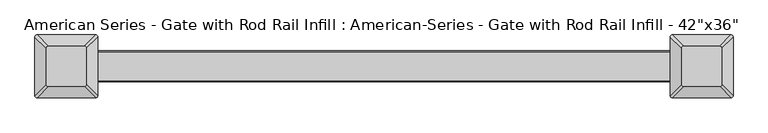
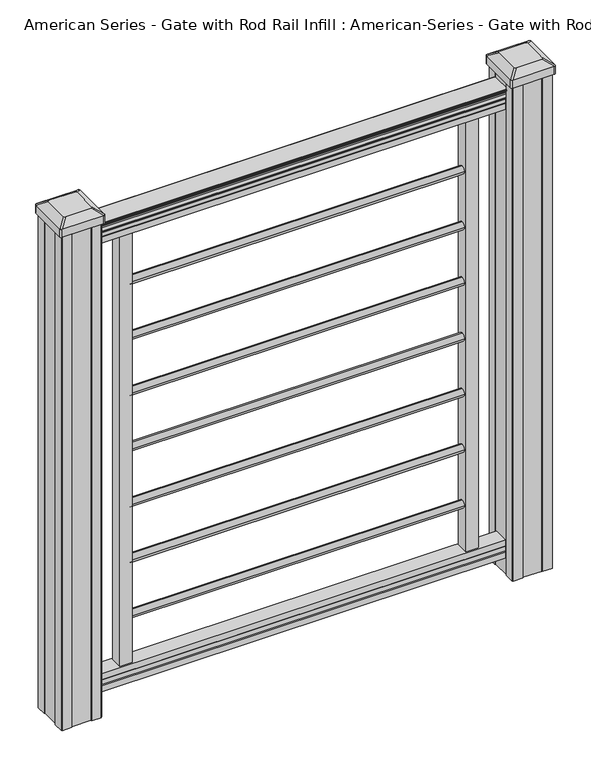
"""IFC4 building model written with IfcOpenShell, lengths in millimetres: proxy geometry."""

from ifc_helpers import new_model, si_unit, point, frame, frame_2d, origin, place, context, project, spatial, polyline, circle_curve, trimmed, segment, composite_curve, outline, extrude, source, transform, mapped, element, save
from ifc_brep_helpers import plane_surface, extruded_surface, advanced_brep


def proxy_1975aff6(model_context):
    return source(origin(), model_context, "Body", "SolidModel", [
        extrude(outline(composite_curve([segment(trimmed(circle_curve(frame_2d((0.0, 914.2688781)), 8.001), [point((8.001, 914.2688781))], [point((0.0, 906.2678781))], False, "CARTESIAN"), True, "CONTINUOUS"), segment(trimmed(circle_curve(frame_2d((0.0, 914.2688781)), 8.001), [point((0.0, 906.2678781))], [point((-8.001, 914.2688781))], False, "CARTESIAN"), True, "CONTINUOUS"), segment(trimmed(circle_curve(frame_2d((0.0, 914.2688781)), 8.001), [point((-8.001, 914.2688781))], [point((0.0, 922.2698781))], False, "CARTESIAN"), True, "CONTINUOUS"), segment(trimmed(circle_curve(frame_2d((0.0, 914.2688781)), 8.001), [point((0.0, 922.2698781))], [point((8.001, 914.2688781))], False, "CARTESIAN"), True, "CONTINUOUS")], self_intersect=False)), frame((-338.328, 0.0, 0.0), z_axis=(1.0, 0.0, 0.0), x_axis=(0.0, 1.0, 0.0)), (0.0, 0.0, 1.0), 676.656),
        extrude(outline(composite_curve([segment(trimmed(circle_curve(frame_2d((0.0, 794.8888781)), 8.001), [point((8.001, 794.8888781))], [point((0.0, 786.8878781))], False, "CARTESIAN"), True, "CONTINUOUS"), segment(trimmed(circle_curve(frame_2d((0.0, 794.8888781)), 8.001), [point((0.0, 786.8878781))], [point((-8.001, 794.8888781))], False, "CARTESIAN"), True, "CONTINUOUS"), segment(trimmed(circle_curve(frame_2d((0.0, 794.8888781)), 8.001), [point((-8.001, 794.8888781))], [point((0.0, 802.8898781))], False, "CARTESIAN"), True, "CONTINUOUS"), segment(trimmed(circle_curve(frame_2d((0.0, 794.8888781)), 8.001), [point((0.0, 802.8898781))], [point((8.001, 794.8888781))], False, "CARTESIAN"), True, "CONTINUOUS")], self_intersect=False)), frame((-338.328, 0.0, 0.0), z_axis=(1.0, 0.0, 0.0), x_axis=(0.0, 1.0, 0.0)), (0.0, 0.0, 1.0), 676.656),
        extrude(outline(composite_curve([segment(trimmed(circle_curve(frame_2d((0.0, 675.5088781)), 8.001), [point((8.001, 675.5088781))], [point((0.0, 667.5078781))], False, "CARTESIAN"), True, "CONTINUOUS"), segment(trimmed(circle_curve(frame_2d((0.0, 675.5088781)), 8.001), [point((0.0, 667.5078781))], [point((-8.001, 675.5088781))], False, "CARTESIAN"), True, "CONTINUOUS"), segment(trimmed(circle_curve(frame_2d((0.0, 675.5088781)), 8.001), [point((-8.001, 675.5088781))], [point((0.0, 683.5098781))], False, "CARTESIAN"), True, "CONTINUOUS"), segment(trimmed(circle_curve(frame_2d((0.0, 675.5088781)), 8.001), [point((0.0, 683.5098781))], [point((8.001, 675.5088781))], False, "CARTESIAN"), True, "CONTINUOUS")], self_intersect=False)), frame((-338.328, 0.0, 0.0), z_axis=(1.0, 0.0, 0.0), x_axis=(0.0, 1.0, 0.0)), (0.0, 0.0, 1.0), 676.656),
        extrude(outline(composite_curve([segment(trimmed(circle_curve(frame_2d((0.0, 556.1288781)), 8.001), [point((8.001, 556.1288781))], [point((0.0, 548.1278781))], False, "CARTESIAN"), True, "CONTINUOUS"), segment(trimmed(circle_curve(frame_2d((0.0, 556.1288781)), 8.001), [point((0.0, 548.1278781))], [point((-8.001, 556.1288781))], False, "CARTESIAN"), True, "CONTINUOUS"), segment(trimmed(circle_curve(frame_2d((0.0, 556.1288781)), 8.001), [point((-8.001, 556.1288781))], [point((0.0, 564.1298781))], False, "CARTESIAN"), True, "CONTINUOUS"), segment(trimmed(circle_curve(frame_2d((0.0, 556.1288781)), 8.001), [point((0.0, 564.1298781))], [point((8.001, 556.1288781))], False, "CARTESIAN"), True, "CONTINUOUS")], self_intersect=False)), frame((-338.328, 0.0, 0.0), z_axis=(1.0, 0.0, 0.0), x_axis=(0.0, 1.0, 0.0)), (0.0, 0.0, 1.0), 676.656),
        extrude(outline(composite_curve([segment(trimmed(circle_curve(frame_2d((0.0, 436.7488781)), 8.001), [point((8.001, 436.7488781))], [point((0.0, 428.7478781))], False, "CARTESIAN"), True, "CONTINUOUS"), segment(trimmed(circle_curve(frame_2d((0.0, 436.7488781)), 8.001), [point((0.0, 428.7478781))], [point((-8.001, 436.7488781))], False, "CARTESIAN"), True, "CONTINUOUS"), segment(trimmed(circle_curve(frame_2d((0.0, 436.7488781)), 8.001), [point((-8.001, 436.7488781))], [point((0.0, 444.7498781))], False, "CARTESIAN"), True, "CONTINUOUS"), segment(trimmed(circle_curve(frame_2d((0.0, 436.7488781)), 8.001), [point((0.0, 444.7498781))], [point((8.001, 436.7488781))], False, "CARTESIAN"), True, "CONTINUOUS")], self_intersect=False)), frame((-338.328, 0.0, 0.0), z_axis=(1.0, 0.0, 0.0), x_axis=(0.0, 1.0, 0.0)), (0.0, 0.0, 1.0), 676.656),
        extrude(outline(composite_curve([segment(trimmed(circle_curve(frame_2d((0.0, 317.3688781)), 8.001), [point((8.001, 317.3688781))], [point((0.0, 309.3678781))], False, "CARTESIAN"), True, "CONTINUOUS"), segment(trimmed(circle_curve(frame_2d((0.0, 317.3688781)), 8.001), [point((0.0, 309.3678781))], [point((-8.001, 317.3688781))], False, "CARTESIAN"), True, "CONTINUOUS"), segment(trimmed(circle_curve(frame_2d((0.0, 317.3688781)), 8.001), [point((-8.001, 317.3688781))], [point((0.0, 325.3698781))], False, "CARTESIAN"), True, "CONTINUOUS"), segment(trimmed(circle_curve(frame_2d((0.0, 317.3688781)), 8.001), [point((0.0, 325.3698781))], [point((8.001, 317.3688781))], False, "CARTESIAN"), True, "CONTINUOUS")], self_intersect=False)), frame((-338.328, 0.0, 0.0), z_axis=(1.0, 0.0, 0.0), x_axis=(0.0, 1.0, 0.0)), (0.0, 0.0, 1.0), 676.656),
        extrude(outline(polyline([(-15.9124869, 76.0541976), (-14.8964869, 77.3546183), (-14.8964869, 87.7141717), (-15.9124869, 89.0624492), (-15.9124869, 101.5958781), (15.8375131, 101.5958781), (15.8375131, 89.0458024), (14.8215131, 87.6975248), (14.8215131, 77.3858283), (15.8375131, 76.0375508), (15.8375131, 63.5), (-15.9124869, 63.5), (-15.9124869, 76.0541976)])), frame((-417.576, 0.0, 0.0), z_axis=(1.0, 0.0, 0.0), x_axis=(0.0, 1.0, 0.0)), (0.0, 0.0, 1.0), 835.152),
        extrude(outline(composite_curve([segment(polyline([(1049.782, 17.4328287), (1051.6700823, 17.4328287)]), True, "CONTINUOUS"), segment(trimmed(circle_curve(frame_2d((1057.4283086, 11.1180755)), 8.545951), [point((1051.6700823, 17.4328287))], [point((1053.2323398, 18.563015))], False, "CARTESIAN"), True, "CONTINUOUS"), segment(trimmed(circle_curve(frame_2d((1056.841328, 11.5551384)), 7.882584), [point((1053.2323398, 18.563015))], [point((1060.4503161, 18.563015))], False, "CARTESIAN"), True, "CONTINUOUS"), segment(trimmed(circle_curve(frame_2d((1062.688923, 22.0684625)), 4.1592695), [point((1060.4503161, 18.563015))], [point((1062.8837515, 17.9137586))], True, "CARTESIAN"), True, "CONTINUOUS"), segment(trimmed(circle_curve(frame_2d((1062.6285567, 23.3557691)), 5.4479907), [point((1062.8837515, 17.9137586))], [point((1067.2138786, 20.4137586))], True, "CARTESIAN"), True, "CONTINUOUS"), segment(trimmed(circle_curve(frame_2d((1067.2110653, 22.1226107)), 1.7088543), [point((1067.2138786, 20.4137586))], [point((1068.8934675, 21.8231011))], True, "CARTESIAN"), True, "CONTINUOUS"), segment(trimmed(circle_curve(frame_2d((1069.9982021, 20.5057106)), 1.7192895), [point((1068.8934675, 21.8231011))], [point((1069.9982021, 22.2250001))], False, "CARTESIAN"), True, "CONTINUOUS"), segment(polyline([(1069.9982021, 22.2250001), (1071.3384861, 22.225)]), True, "CONTINUOUS"), segment(trimmed(circle_curve(frame_2d((1071.3384861, 20.6715528)), 1.5534472), [point((1071.3384861, 22.225))], [point((1072.8919333, 20.6715528))], False, "CARTESIAN"), True, "CONTINUOUS"), segment(polyline([(1072.8919333, 20.6715528), (1072.8919333, -20.6715528)]), True, "CONTINUOUS"), segment(trimmed(circle_curve(frame_2d((1071.3384861, -20.6715528)), 1.5534472), [point((1072.8919333, -20.6715528))], [point((1071.3384861, -22.225))], False, "CARTESIAN"), True, "CONTINUOUS"), segment(polyline([(1071.3384861, -22.225), (1069.9982021, -22.225)]), True, "CONTINUOUS"), segment(trimmed(circle_curve(frame_2d((1069.9982021, -20.5057106)), 1.7192895), [point((1069.9982021, -22.225))], [point((1068.8934675, -21.8231011))], False, "CARTESIAN"), True, "CONTINUOUS"), segment(trimmed(circle_curve(frame_2d((1067.2110653, -22.1226107)), 1.7088543), [point((1068.8934675, -21.8231011))], [point((1067.2138786, -20.4137586))], True, "CARTESIAN"), True, "CONTINUOUS"), segment(trimmed(circle_curve(frame_2d((1062.6285567, -23.3557691)), 5.4479907), [point((1067.2138786, -20.4137586))], [point((1062.8837515, -17.9137586))], True, "CARTESIAN"), True, "CONTINUOUS"), segment(trimmed(circle_curve(frame_2d((1062.688923, -22.0684625)), 4.1592695), [point((1062.8837515, -17.9137586))], [point((1060.4503161, -18.563015))], True, "CARTESIAN"), True, "CONTINUOUS"), segment(trimmed(circle_curve(frame_2d((1056.841328, -11.5551384)), 7.882584), [point((1060.4503161, -18.563015))], [point((1053.2323398, -18.563015))], False, "CARTESIAN"), True, "CONTINUOUS"), segment(trimmed(circle_curve(frame_2d((1057.4283086, -11.1180755)), 8.545951), [point((1053.2323398, -18.563015))], [point((1051.6700823, -17.4328287))], False, "CARTESIAN"), True, "CONTINUOUS"), segment(polyline([(1051.6700823, -17.4328287), (1049.782, -17.4328287)]), True, "CONTINUOUS"), segment(trimmed(circle_curve(frame_2d((1049.782, -16.1459144)), 1.2869144), [point((1049.782, -17.4328287))], [point((1049.782, -14.859))], False, "CARTESIAN"), True, "CONTINUOUS"), segment(polyline([(1049.782, -14.859), (1039.2824987, -14.859), (1038.2664987, -15.875), (1025.7776703, -15.875), (1025.7776703, 15.875), (1038.1086833, 15.875), (1039.1246833, 14.859), (1049.782, 14.859)]), True, "CONTINUOUS"), segment(trimmed(circle_curve(frame_2d((1049.782, 16.1459144)), 1.2869144), [point((1049.782, 14.859))], [point((1049.782, 17.4328287))], False, "CARTESIAN"), True, "CONTINUOUS")], self_intersect=False)), frame((417.576, 0.0, 0.0), z_axis=(-1.0, 0.0, 0.0), x_axis=(0.0, 0.0, 1.0)), (0.0, 0.0, 1.0), 835.152),
        extrude(outline(composite_curve([segment(trimmed(circle_curve(frame_2d((0.0, 197.9888781)), 8.001), [point((8.001, 197.9888781))], [point((0.0, 189.9878781))], False, "CARTESIAN"), True, "CONTINUOUS"), segment(trimmed(circle_curve(frame_2d((0.0, 197.9888781)), 8.001), [point((0.0, 189.9878781))], [point((-8.001, 197.9888781))], False, "CARTESIAN"), True, "CONTINUOUS"), segment(trimmed(circle_curve(frame_2d((0.0, 197.9888781)), 8.001), [point((-8.001, 197.9888781))], [point((0.0, 205.9898781))], False, "CARTESIAN"), True, "CONTINUOUS"), segment(trimmed(circle_curve(frame_2d((0.0, 197.9888781)), 8.001), [point((0.0, 205.9898781))], [point((8.001, 197.9888781))], False, "CARTESIAN"), True, "CONTINUOUS")], self_intersect=False)), frame((-338.328, 0.0, 0.0), z_axis=(1.0, 0.0, 0.0), x_axis=(0.0, 1.0, 0.0)), (0.0, 0.0, 1.0), 676.656),
        advanced_brep(
        [(431.403125, 28.971875, 1118.235), (428.228125, 25.796875, 1118.235), (428.228125, -25.796875, 1118.235), (431.403125, -28.971875, 1118.235), (482.996875, -28.971875, 1118.235), (486.171875, -25.796875, 1118.235), (486.171875, 25.796875, 1118.235), (482.996875, 28.971875, 1118.235), (415.13125, 45.24375, 1106.932), (499.26875, 45.24375, 1106.932), (502.44375, 42.06875, 1106.932), (502.44375, -42.06875, 1106.932), (499.26875, -45.24375, 1106.932), (415.13125, -45.24375, 1106.932), (411.95625, -42.06875, 1106.932), (411.95625, 42.06875, 1106.932)],
        [
            (0, 1, circle_curve(frame((431.403125, 25.796875, 1118.235), z_axis=(0.0, 0.0, 1.0), x_axis=(0.0, -1.0, 0.0)), 3.175)),
            (1, 2),
            (2, 3, circle_curve(frame((431.403125, -25.796875, 1118.235), z_axis=(0.0, 0.0, 1.0), x_axis=(0.0, -1.0, 0.0)), 3.175)),
            (3, 4),
            (4, 5, circle_curve(frame((482.996875, -25.796875, 1118.235), z_axis=(0.0, 0.0, 1.0), x_axis=(0.0, -1.0, 0.0)), 3.175)),
            (5, 6),
            (6, 7, circle_curve(frame((482.996875, 25.796875, 1118.235), z_axis=(0.0, 0.0, 1.0), x_axis=(0.0, -1.0, 0.0)), 3.175)),
            (7, 0),
            (8, 9),
            (9, 10, circle_curve(frame((499.26875, 42.06875, 1106.932), z_axis=(0.0, 0.0, -1.0), x_axis=(0.0, -1.0, 0.0)), 3.175)),
            (10, 11),
            (11, 12, circle_curve(frame((499.26875, -42.06875, 1106.932), z_axis=(0.0, 0.0, -1.0), x_axis=(0.0, -1.0, 0.0)), 3.175)),
            (12, 13),
            (13, 14, circle_curve(frame((415.13125, -42.06875, 1106.932), z_axis=(0.0, 0.0, -1.0), x_axis=(0.0, -1.0, 0.0)), 3.175)),
            (14, 15),
            (15, 8, circle_curve(frame((415.13125, 42.06875, 1106.932), z_axis=(0.0, 0.0, -1.0), x_axis=(0.0, -1.0, 0.0)), 3.175)),
            (15, 1),
            (0, 8),
            (14, 2),
            (13, 3),
            (12, 4),
            (11, 5),
            (10, 6),
            (9, 7),
        ],
        [
            plane_surface(frame((457.2, 0.0, 1118.235), z_axis=(0.0, 0.0, 1.0), x_axis=(-1.0, 0.0, 0.0))),
            plane_surface(frame((457.2, 0.0, 1106.932), z_axis=(0.0, 0.0, -1.0), x_axis=(-1.0, 0.0, 0.0))),
            extruded_surface(trimmed(circle_curve(frame((415.13125, 42.06875, 1106.932), z_axis=(0.0, 0.0, 1.0), x_axis=(0.0, -1.0, 0.0)), 3.175), [point((415.13125, 45.24375, 1106.932))], [point((411.95625, 42.06875, 1106.932))], True, "CARTESIAN"), (16.271874999999966, -16.271875, 11.302999999999884), 25.637972638866092),
            plane_surface(frame((411.95625, 0.0, 1106.932), z_axis=(-0.5705009161540778, 0.0, 0.8212969649690408), x_axis=(0.0, -1.0, 0.0))),
            extruded_surface(trimmed(circle_curve(frame((415.13125, -42.06875, 1106.932), z_axis=(0.0, 0.0, 1.0), x_axis=(0.0, -1.0, 0.0)), 3.175), [point((411.95625, -42.06875, 1106.932))], [point((415.13125, -45.24375, 1106.932))], True, "CARTESIAN"), (16.271874999999966, 16.271875, 11.302999999999884), 25.637972638866092),
            plane_surface(frame((457.2, -45.24375, 1106.932), z_axis=(0.0, -0.5705009161540291, 0.8212969649690747), x_axis=(1.0, 0.0, 0.0))),
            extruded_surface(trimmed(circle_curve(frame((499.26875, -42.06875, 1106.932), z_axis=(0.0, 0.0, 1.0), x_axis=(0.0, -1.0, 0.0)), 3.175), [point((499.26875, -45.24375, 1106.932))], [point((502.44375, -42.06875, 1106.932))], True, "CARTESIAN"), (-16.271875000000023, 16.271875, 11.302999999999884), 25.637972638866128),
            plane_surface(frame((502.44375, 0.0, 1106.932), z_axis=(0.5705009161540142, 0.0, 0.8212969649690851), x_axis=(0.0, 1.0, 0.0))),
            extruded_surface(trimmed(circle_curve(frame((499.26875, 42.06875, 1106.932), z_axis=(0.0, 0.0, 1.0), x_axis=(0.0, -1.0, 0.0)), 3.175), [point((502.44375, 42.06875, 1106.932))], [point((499.26875, 45.24375, 1106.932))], True, "CARTESIAN"), (-16.271875000000023, -16.271875, 11.302999999999884), 25.637972638866128),
            plane_surface(frame((457.2, 45.24375, 1106.932), z_axis=(0.0, 0.570500916154034, 0.8212969649690713), x_axis=(-1.0, 0.0, 0.0))),
        ],
        [
            (0, [[1, 2, 3, 4, 5, 6, 7, 8]]),
            (1, [[9, 10, 11, 12, 13, 14, 15, 16]]),
            (2, [[-16, 17, -1, 18]]),
            (3, [[-15, 19, -2, -17]]),
            (4, [[-14, 20, -3, -19]]),
            (5, [[-13, 21, -4, -20]]),
            (6, [[-12, 22, -5, -21]]),
            (7, [[-11, 23, -6, -22]]),
            (8, [[-10, 24, -7, -23]]),
            (9, [[-9, -18, -8, -24]]),
        ],
    ),
        extrude(outline(composite_curve([segment(polyline([(415.13125, 45.24375), (499.26875, 45.24375)]), True, "CONTINUOUS"), segment(trimmed(circle_curve(frame_2d((499.26875, 42.06875)), 3.175), [point((499.26875, 45.24375))], [point((502.44375, 42.06875))], False, "CARTESIAN"), True, "CONTINUOUS"), segment(polyline([(502.44375, 42.06875), (502.44375, -42.06875)]), True, "CONTINUOUS"), segment(trimmed(circle_curve(frame_2d((499.26875, -42.06875)), 3.175), [point((502.44375, -42.06875))], [point((499.26875, -45.24375))], False, "CARTESIAN"), True, "CONTINUOUS"), segment(polyline([(499.26875, -45.24375), (415.13125, -45.24375)]), True, "CONTINUOUS"), segment(trimmed(circle_curve(frame_2d((415.13125, -42.06875)), 3.175), [point((415.13125, -45.24375))], [point((411.95625, -42.06875))], False, "CARTESIAN"), True, "CONTINUOUS"), segment(polyline([(411.95625, -42.06875), (411.95625, 42.06875)]), True, "CONTINUOUS"), segment(trimmed(circle_curve(frame_2d((415.13125, 42.06875)), 3.175), [point((411.95625, 42.06875))], [point((415.13125, 45.24375))], False, "CARTESIAN"), True, "CONTINUOUS")], self_intersect=False)), frame((0.0, 0.0, 1089.66), z_axis=(0.0, 0.0, 1.0), x_axis=(1.0, 0.0, 0.0)), (0.0, 0.0, 1.0), 17.272),
        extrude(outline(polyline([(417.5125, 41.275), (437.134, 41.275), (437.896, 39.6875), (476.504, 39.6875), (477.266, 41.275), (496.8875, 41.275), (498.475, 39.6875), (498.475, 20.066), (496.8875, 19.304), (496.8875, -19.304), (498.475, -20.066), (498.475, -39.6875), (496.8875, -41.275), (477.266, -41.275), (476.504, -39.6875), (437.896, -39.6875), (437.134, -41.275), (417.5125, -41.275), (415.925, -39.6875), (415.925, -20.066), (417.5125, -19.304), (417.5125, 19.304), (415.925, 20.066), (415.925, 39.6875), (417.5125, 41.275)])), frame((0.0, 0.0, 28.575), z_axis=(0.0, 0.0, 1.0), x_axis=(1.0, 0.0, 0.0)), (0.0, 0.0, 1.0), 1061.085),
        advanced_brep(
        [(-482.996875, 28.971875, 1118.235), (-486.171875, 25.796875, 1118.235), (-486.171875, -25.796875, 1118.235), (-482.996875, -28.971875, 1118.235), (-431.403125, -28.971875, 1118.235), (-428.228125, -25.796875, 1118.235), (-428.228125, 25.796875, 1118.235), (-431.403125, 28.971875, 1118.235), (-499.26875, 45.24375, 1106.932), (-415.13125, 45.24375, 1106.932), (-411.95625, 42.06875, 1106.932), (-411.95625, -42.06875, 1106.932), (-415.13125, -45.24375, 1106.932), (-499.26875, -45.24375, 1106.932), (-502.44375, -42.06875, 1106.932), (-502.44375, 42.06875, 1106.932)],
        [
            (0, 1, circle_curve(frame((-482.996875, 25.796875, 1118.235), z_axis=(0.0, 0.0, 1.0), x_axis=(0.0, -1.0, 0.0)), 3.175)),
            (1, 2),
            (2, 3, circle_curve(frame((-482.996875, -25.796875, 1118.235), z_axis=(0.0, 0.0, 1.0), x_axis=(0.0, -1.0, 0.0)), 3.175)),
            (3, 4),
            (4, 5, circle_curve(frame((-431.403125, -25.796875, 1118.235), z_axis=(0.0, 0.0, 1.0), x_axis=(0.0, -1.0, 0.0)), 3.175)),
            (5, 6),
            (6, 7, circle_curve(frame((-431.403125, 25.796875, 1118.235), z_axis=(0.0, 0.0, 1.0), x_axis=(0.0, -1.0, 0.0)), 3.175)),
            (7, 0),
            (8, 9),
            (9, 10, circle_curve(frame((-415.13125, 42.06875, 1106.932), z_axis=(0.0, 0.0, -1.0), x_axis=(0.0, -1.0, 0.0)), 3.175)),
            (10, 11),
            (11, 12, circle_curve(frame((-415.13125, -42.06875, 1106.932), z_axis=(0.0, 0.0, -1.0), x_axis=(0.0, -1.0, 0.0)), 3.175)),
            (12, 13),
            (13, 14, circle_curve(frame((-499.26875, -42.06875, 1106.932), z_axis=(0.0, 0.0, -1.0), x_axis=(0.0, -1.0, 0.0)), 3.175)),
            (14, 15),
            (15, 8, circle_curve(frame((-499.26875, 42.06875, 1106.932), z_axis=(0.0, 0.0, -1.0), x_axis=(0.0, -1.0, 0.0)), 3.175)),
            (15, 1),
            (0, 8),
            (14, 2),
            (13, 3),
            (12, 4),
            (11, 5),
            (10, 6),
            (9, 7),
        ],
        [
            plane_surface(frame((-457.2, 0.0, 1118.235), z_axis=(0.0, 0.0, 1.0), x_axis=(-1.0, 0.0, 0.0))),
            plane_surface(frame((-457.2, 0.0, 1106.932), z_axis=(0.0, 0.0, -1.0), x_axis=(-1.0, 0.0, 0.0))),
            extruded_surface(trimmed(circle_curve(frame((-499.26875, 42.06875, 1106.932), z_axis=(0.0, 0.0, 1.0), x_axis=(0.0, -1.0, 0.0)), 3.175), [point((-499.26875, 45.24375, 1106.932))], [point((-502.44375, 42.06875, 1106.932))], True, "CARTESIAN"), (16.271875000000023, -16.271875, 11.302999999999884), 25.637972638866128),
            plane_surface(frame((-502.44375, 0.0, 1106.932), z_axis=(-0.5705009161540778, 0.0, 0.8212969649690408), x_axis=(0.0, -1.0, 0.0))),
            extruded_surface(trimmed(circle_curve(frame((-499.26875, -42.06875, 1106.932), z_axis=(0.0, 0.0, 1.0), x_axis=(0.0, -1.0, 0.0)), 3.175), [point((-502.44375, -42.06875, 1106.932))], [point((-499.26875, -45.24375, 1106.932))], True, "CARTESIAN"), (16.271875000000023, 16.271875, 11.302999999999884), 25.637972638866128),
            plane_surface(frame((-457.2, -45.24375, 1106.932), z_axis=(0.0, -0.5705009161540291, 0.8212969649690747), x_axis=(1.0, 0.0, 0.0))),
            extruded_surface(trimmed(circle_curve(frame((-415.13125, -42.06875, 1106.932), z_axis=(0.0, 0.0, 1.0), x_axis=(0.0, -1.0, 0.0)), 3.175), [point((-415.13125, -45.24375, 1106.932))], [point((-411.95625, -42.06875, 1106.932))], True, "CARTESIAN"), (-16.271874999999966, 16.271875, 11.302999999999884), 25.637972638866092),
            plane_surface(frame((-411.95625, 0.0, 1106.932), z_axis=(0.5705009161540142, 0.0, 0.8212969649690851), x_axis=(0.0, 1.0, 0.0))),
            extruded_surface(trimmed(circle_curve(frame((-415.13125, 42.06875, 1106.932), z_axis=(0.0, 0.0, 1.0), x_axis=(0.0, -1.0, 0.0)), 3.175), [point((-411.95625, 42.06875, 1106.932))], [point((-415.13125, 45.24375, 1106.932))], True, "CARTESIAN"), (-16.271874999999966, -16.271875, 11.302999999999884), 25.637972638866092),
            plane_surface(frame((-457.2, 45.24375, 1106.932), z_axis=(0.0, 0.570500916154034, 0.8212969649690713), x_axis=(-1.0, 0.0, 0.0))),
        ],
        [
            (0, [[1, 2, 3, 4, 5, 6, 7, 8]]),
            (1, [[9, 10, 11, 12, 13, 14, 15, 16]]),
            (2, [[-16, 17, -1, 18]]),
            (3, [[-15, 19, -2, -17]]),
            (4, [[-14, 20, -3, -19]]),
            (5, [[-13, 21, -4, -20]]),
            (6, [[-12, 22, -5, -21]]),
            (7, [[-11, 23, -6, -22]]),
            (8, [[-10, 24, -7, -23]]),
            (9, [[-9, -18, -8, -24]]),
        ],
    ),
        extrude(outline(composite_curve([segment(polyline([(-499.26875, 45.24375), (-415.13125, 45.24375)]), True, "CONTINUOUS"), segment(trimmed(circle_curve(frame_2d((-415.13125, 42.06875)), 3.175), [point((-415.13125, 45.24375))], [point((-411.95625, 42.06875))], False, "CARTESIAN"), True, "CONTINUOUS"), segment(polyline([(-411.95625, 42.06875), (-411.95625, -42.06875)]), True, "CONTINUOUS"), segment(trimmed(circle_curve(frame_2d((-415.13125, -42.06875)), 3.175), [point((-411.95625, -42.06875))], [point((-415.13125, -45.24375))], False, "CARTESIAN"), True, "CONTINUOUS"), segment(polyline([(-415.13125, -45.24375), (-499.26875, -45.24375)]), True, "CONTINUOUS"), segment(trimmed(circle_curve(frame_2d((-499.26875, -42.06875)), 3.175), [point((-499.26875, -45.24375))], [point((-502.44375, -42.06875))], False, "CARTESIAN"), True, "CONTINUOUS"), segment(polyline([(-502.44375, -42.06875), (-502.44375, 42.06875)]), True, "CONTINUOUS"), segment(trimmed(circle_curve(frame_2d((-499.26875, 42.06875)), 3.175), [point((-502.44375, 42.06875))], [point((-499.26875, 45.24375))], False, "CARTESIAN"), True, "CONTINUOUS")], self_intersect=False)), frame((0.0, 0.0, 1089.66), z_axis=(0.0, 0.0, 1.0), x_axis=(1.0, 0.0, 0.0)), (0.0, 0.0, 1.0), 17.272),
        extrude(outline(polyline([(-496.8875, 41.275), (-477.266, 41.275), (-476.504, 39.6875), (-437.896, 39.6875), (-437.134, 41.275), (-417.5125, 41.275), (-415.925, 39.6875), (-415.925, 20.066), (-417.5125, 19.304), (-417.5125, -19.304), (-415.925, -20.066), (-415.925, -39.6875), (-417.5125, -41.275), (-437.134, -41.275), (-437.896, -39.6875), (-476.504, -39.6875), (-477.266, -41.275), (-496.8875, -41.275), (-498.475, -39.6875), (-498.475, -20.066), (-496.8875, -19.304), (-496.8875, 19.304), (-498.475, 20.066), (-498.475, 39.6875), (-496.8875, 41.275)])), frame((0.0, 0.0, 28.575), z_axis=(0.0, 0.0, 1.0), x_axis=(1.0, 0.0, 0.0)), (0.0, 0.0, 1.0), 1061.085),
        extrude(outline(polyline([(0.0, -25.4), (0.0, 0.0), (25.4, 0.0), (25.4, -25.4), (0.0, -25.4)])), frame((338.328, -12.7, 101.6), z_axis=(1.180389119782386e-12, 0.0, 1.0), x_axis=(0.0, 1.0, 0.0)), (0.0, 0.0, 1.0), 950.0700823),
        extrude(outline(polyline([(-338.328, -12.7), (-363.728, -12.7), (-363.728, 12.7), (-338.328, 12.7), (-338.328, -12.7)])), frame((0.0, 0.0, 101.6), z_axis=(0.0, 0.0, 1.0), x_axis=(1.0, 0.0, 0.0)), (0.0, 0.0, 1.0), 951.6323398),
    ])


if __name__ == "__main__":
    model = new_model("IFC4")
    model_context = context("Model", 3, world=origin())
    ifc_project = project(units=[si_unit("LENGTHUNIT", "METRE", prefix="MILLI")], contexts=[model_context])
    site = spatial("IfcSite", under=ifc_project)
    building = spatial("IfcBuilding", under=site)
    placement = place(None, origin())
    proxy_shape = proxy_1975aff6(model_context)
    element("IfcBuildingElementProxy", 1, Name="American Series - Gate with Rod Rail Infill : American-Series - Gate with Rod Rail Infill - 42\"x36\"", ObjectType="American Series - Gate with Rod Rail Infill : American-Series - Gate with Rod Rail Infill - 42\"x36\"", at=placement, inside=building, context=model_context, shape_type="MappedRepresentation", body=[
        mapped(proxy_shape, transform((0.0, 0.0, 0.0), x_axis=(1.0, 0.0, 0.0), y_axis=(0.0, 1.0, 0.0), z_axis=(0.0, 0.0, 1.0))),
    ])
    save(model, "model.ifc")
